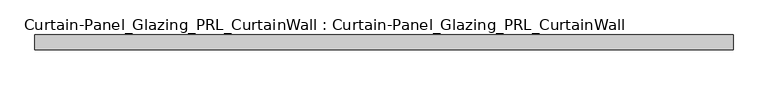
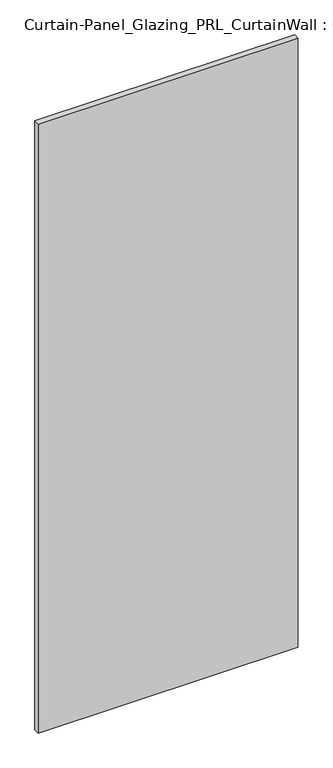
"""IFC4 building model written with IfcOpenShell, lengths in millimetres: plate geometry, Curtain-Panel_Glazing_PRL_CurtainWall : Curtain-Panel_Glazing_PRL_CurtainWall."""

from ifc_helpers import new_model, si_unit, origin, origin_with_axes, place, context, project, spatial, polyline, outline, extrude, source, transform, mapped, element, save


def curtain_panel_glazing_prl_curtainwall_curtain_panel_glazing_77cdd4a9(model_context):
    return source(origin(), model_context, "Body", "SweptSolid", [
        extrude(outline(polyline([(623.09375, -12.7), (-581.81875, -12.7), (-581.81875, 12.7), (623.09375, 12.7), (623.09375, -12.7)])), origin_with_axes(), (0.0, 0.0, 1.0), 2986.0875),
    ])


if __name__ == "__main__":
    model = new_model("IFC4")
    model_context = context("Model", 3, world=origin())
    ifc_project = project(units=[si_unit("LENGTHUNIT", "METRE", prefix="MILLI")], contexts=[model_context])
    site = spatial("IfcSite", under=ifc_project)
    building = spatial("IfcBuilding", under=site)
    placement = place(None, origin())
    curtain_panel_glazing_prl_curtainwall_curtain_panel_glazing_shape = curtain_panel_glazing_prl_curtainwall_curtain_panel_glazing_77cdd4a9(model_context)
    element("IfcPlate", 1, ObjectType="Curtain-Panel_Glazing_PRL_CurtainWall : Curtain-Panel_Glazing_PRL_CurtainWall", at=placement, inside=building, context=model_context, shape_type="MappedRepresentation", body=[
        mapped(curtain_panel_glazing_prl_curtainwall_curtain_panel_glazing_shape, transform((0.0, 0.0, 0.0), x_axis=(1.0, 0.0, 0.0), y_axis=(0.0, 1.0, 0.0), z_axis=(0.0, 0.0, 1.0))),
    ])
    save(model, "model.ifc")
